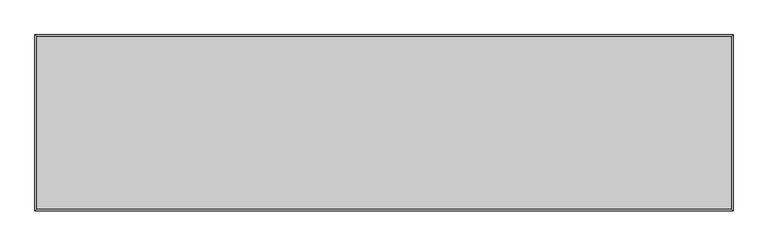
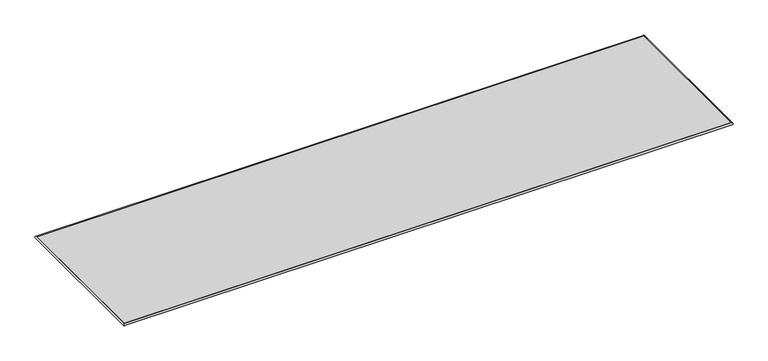
"""IFC4 building model written with IfcOpenShell, lengths in millimetres: furniture geometry."""

from ifc_helpers import new_model, si_unit, frame, origin, origin_with_axes, place, context, project, spatial, polyline, ellipse_curve, outline, extrude, source, transform, mapped, element, save
from ifc_brep_helpers import plane_surface, cylinder_surface, advanced_brep


def furniture_32266375(model_context):
    return source(origin(), model_context, "Body", "SolidModel", [
        advanced_brep(
        [(-299.0453125, -299.0453125, 6.35), (-299.0453125, 300.434375, 6.35), (-299.0453125, 300.434375, 0.0), (-299.0453125, -299.0453125, 0.0), (2101.2546875, 300.434375, 6.35), (2101.2546875, 300.434375, 0.0), (2101.2546875, -299.0453125, 6.35), (2101.2546875, -299.0453125, 0.0)],
        [
            (0, 1),
            (1, 2, ellipse_curve(frame((-300.1097864, 301.4988489, 3.175), z_axis=(-0.7071067811865475, -0.7071067811865475, 0.0), x_axis=(0.7071067811865474, -0.7071067811865476, 0.0)), 4.7357639, 3.3486907)),
            (2, 3),
            (3, 0, ellipse_curve(frame((-300.1097864, -300.1097864, 3.175), z_axis=(-0.7071067811865475, 0.7071067811865475, 0.0), x_axis=(-0.7071067811865474, -0.7071067811865476, 0.0)), 4.7357639, 3.3486907)),
            (2, 1),
            (0, 3),
            (1, 4),
            (4, 5, ellipse_curve(frame((2102.3191614, 301.4988489, 3.175), z_axis=(-0.7071067811865475, 0.7071067811865475, 0.0), x_axis=(-0.7071067811865476, -0.7071067811865474, 0.0)), 4.7357639, 3.3486907)),
            (5, 2),
            (5, 4),
            (4, 6),
            (6, 7, ellipse_curve(frame((2102.3191614, -300.1097864, 3.175), z_axis=(0.7071067811865475, 0.7071067811865475, 0.0), x_axis=(-0.7071067811865474, 0.7071067811865476, 0.0)), 4.7357639, 3.3486907)),
            (7, 5),
            (7, 6),
            (6, 0),
            (3, 7),
        ],
        [
            cylinder_surface(frame((-300.1097864, -299.0453125, 3.175), z_axis=(0.0, -1.0, 0.0), x_axis=(1.0, 0.0, 0.0)), 3.3486907),
            plane_surface(frame((-299.0453125, -299.0453125, 6.35), z_axis=(1.0, 0.0, 0.0), x_axis=(0.0, 1.0, 0.0))),
            cylinder_surface(frame((-299.0453125, 301.4988489, 3.175), z_axis=(-1.0, 0.0, 0.0), x_axis=(0.0, -1.0, 0.0)), 3.3486907),
            plane_surface(frame((-299.0453125, 300.434375, 6.35), z_axis=(0.0, -1.0, 0.0), x_axis=(1.0, 0.0, 0.0))),
            cylinder_surface(frame((2102.3191614, 300.434375, 3.175), z_axis=(0.0, 1.0, 0.0), x_axis=(-1.0, 0.0, 0.0)), 3.3486907),
            plane_surface(frame((2101.2546875, 300.434375, 6.35), z_axis=(-1.0, 0.0, 0.0), x_axis=(0.0, -1.0, 0.0))),
            cylinder_surface(frame((2101.2546875, -300.1097864, 3.175), z_axis=(1.0, 0.0, 0.0), x_axis=(0.0, 1.0, 0.0)), 3.3486907),
            plane_surface(frame((2101.2546875, -299.0453125, 6.35), z_axis=(0.0, 1.0, 0.0), x_axis=(-1.0, 0.0, 0.0))),
        ],
        [
            (0, [[1, 2, 3, 4]]),
            (1, [[-3, 5, -1, 6]]),
            (2, [[7, 8, 9, -2]]),
            (3, [[-9, 10, -7, -5]]),
            (4, [[11, 12, 13, -8]]),
            (5, [[-13, 14, -11, -10]]),
            (6, [[15, -4, 16, -12]]),
            (7, [[-16, -6, -15, -14]]),
        ],
    ),
        extrude(outline(polyline([(2101.2546875, -299.0453125), (-299.0453125, -299.0453125), (-299.0453125, 300.434375), (2101.2546875, 300.434375), (2101.2546875, -299.0453125)])), origin_with_axes(), (0.0, 0.0, 1.0), 6.35),
    ])


if __name__ == "__main__":
    model = new_model("IFC4")
    model_context = context("Model", 3, world=origin())
    ifc_project = project(units=[si_unit("LENGTHUNIT", "METRE", prefix="MILLI")], contexts=[model_context])
    site = spatial("IfcSite", under=ifc_project)
    building = spatial("IfcBuilding", under=site)
    placement = place(None, origin())
    furniture_shape = furniture_32266375(model_context)
    element("IfcFurniture", 1, at=placement, inside=building, context=model_context, shape_type="MappedRepresentation", body=[
        mapped(furniture_shape, transform((0.0, 0.0, 0.0), x_axis=(1.0, 0.0, 0.0), y_axis=(0.0, 1.0, 0.0), z_axis=(0.0, 0.0, 1.0))),
    ])
    save(model, "model.ifc")
